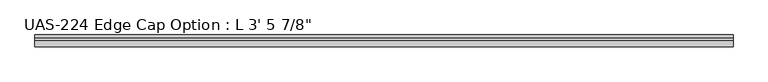
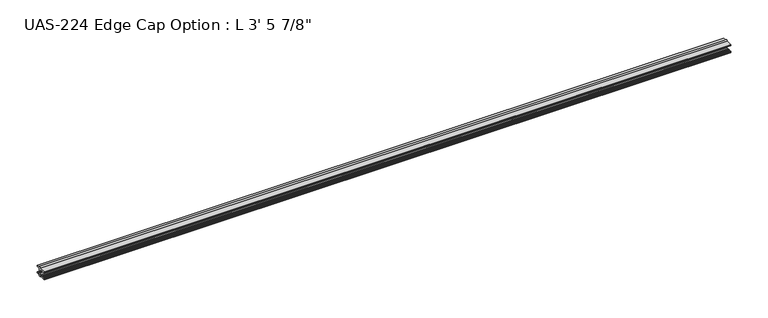
"""IFC4 building model written with IfcOpenShell, lengths in millimetres: proxy geometry."""

from ifc_helpers import new_model, si_unit, point, frame, frame_2d, origin, place, context, project, spatial, polyline, circle_curve, trimmed, segment, composite_curve, outline, extrude, source, transform, mapped, element, save


def proxy_fb5e7ba1(model_context):
    return source(origin(), model_context, "Body", "SweptSolid", [
        extrude(outline(composite_curve([segment(trimmed(circle_curve(frame_2d((11.42365, 14.2875)), 1.5875), [point((9.83615, 14.2875))], [point((13.01115, 14.2875))], False, "CARTESIAN"), True, "CONTINUOUS"), segment(polyline([(13.01115, 14.2875), (18.085932, 14.2875), (18.085932, 12.7), (12.18565, 12.7), (12.18565, 3.175), (18.085932, 3.175), (18.085932, 1.5875), (13.01115, 1.5875)]), True, "CONTINUOUS"), segment(trimmed(circle_curve(frame_2d((11.42365, 1.5875)), 1.5875), [point((13.01115, 1.5875))], [point((9.83615, 1.5875))], False, "CARTESIAN"), True, "CONTINUOUS"), segment(polyline([(9.83615, 1.5875), (0.0, 1.5875), (0.0, 2.8080426)]), True, "CONTINUOUS"), segment(trimmed(circle_curve(frame_2d((0.5981599, 2.8080426)), 0.5981599), [point((0.0, 2.8080426))], [point((0.5981599, 3.4062025))], False, "CARTESIAN"), True, "CONTINUOUS"), segment(polyline([(0.5981599, 3.4062025), (1.3929204, 3.4062025), (2.1509032, 3.1452081), (2.9088859, 3.4062025), (3.6668687, 3.1452081), (4.4248515, 3.4062025), (5.1828342, 3.1452081), (5.940817, 3.4062025), (6.798801, 3.1452081), (7.5567838, 3.4062025), (8.316831, 3.175), (10.66165, 3.175), (10.66165, 6.35), (10.9168139, 7.1888169), (10.9168139, 8.6861831), (10.66165, 9.525), (10.66165, 12.7), (8.316831, 12.7), (7.5567838, 12.4687975), (6.798801, 12.7297919), (5.940817, 12.4687975), (5.1828342, 12.7297919), (4.4248515, 12.4687975), (3.6668687, 12.7297919), (2.9088859, 12.4687975), (2.1509032, 12.7297919), (1.3929204, 12.4687975), (0.5981599, 12.4687975)]), True, "CONTINUOUS"), segment(trimmed(circle_curve(frame_2d((0.5981599, 13.0669574)), 0.5981599), [point((0.5981599, 12.4687975))], [point((0.0, 13.0669574))], False, "CARTESIAN"), True, "CONTINUOUS"), segment(polyline([(0.0, 13.0669574), (0.0, 14.2875), (9.83615, 14.2875)]), True, "CONTINUOUS")], self_intersect=False)), frame((0.0, 0.0, 0.0), z_axis=(1.0, 0.0, 0.0), x_axis=(0.0, 1.0, 0.0)), (0.0, 0.0, 1.0), 1063.625),
    ])


if __name__ == "__main__":
    model = new_model("IFC4")
    model_context = context("Model", 3, world=origin())
    ifc_project = project(units=[si_unit("LENGTHUNIT", "METRE", prefix="MILLI")], contexts=[model_context])
    site = spatial("IfcSite", under=ifc_project)
    building = spatial("IfcBuilding", under=site)
    placement = place(None, origin())
    proxy_shape = proxy_fb5e7ba1(model_context)
    element("IfcBuildingElementProxy", 1, Name="UAS-224 Edge Cap Option : L 3' 5 7/8\"", ObjectType="UAS-224 Edge Cap Option : L 3' 5 7/8\"", at=placement, inside=building, context=model_context, shape_type="MappedRepresentation", body=[
        mapped(proxy_shape, transform((0.0, 0.0, 0.0), x_axis=(1.0, 0.0, 0.0), y_axis=(0.0, 1.0, 0.0), z_axis=(0.0, 0.0, 1.0))),
    ])
    save(model, "model.ifc")
